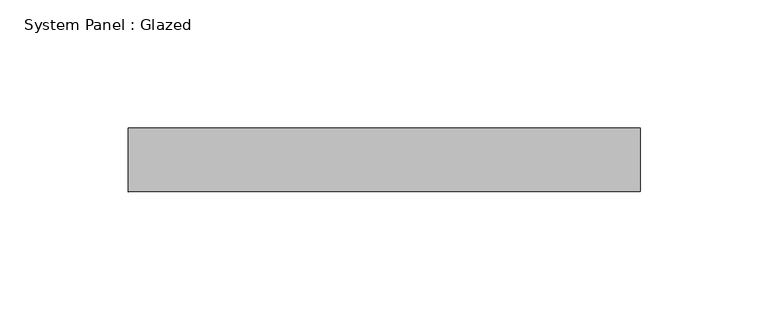
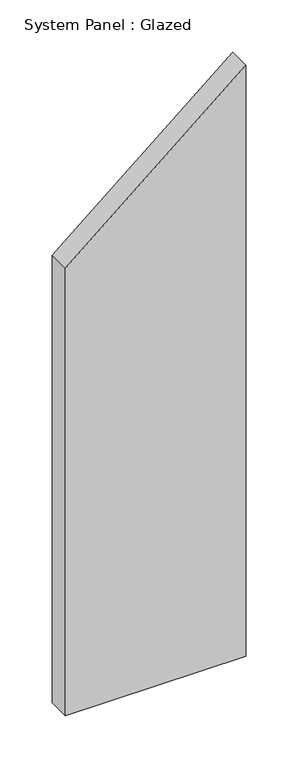
"""IFC4 building model written with IfcOpenShell, lengths in millimetres: plate geometry, System Panel : Glazed."""

from ifc_helpers import new_model, si_unit, frame, origin, place, context, project, spatial, polyline, outline, extrude, source, transform, mapped, element, save


def system_panel_glazed_88069457(model_context):
    return source(origin(), model_context, "Body", "SweptSolid", [
        extrude(outline(polyline([(0.0, -100.0), (0.0, 100.0), (692.0383774, 100.0), (524.2184512, -100.0), (0.0, -100.0)])), frame((0.0, 24.5, 0.0), z_axis=(0.0, 1.0, 0.0), x_axis=(0.0, 0.0, 1.0)), (0.0, 0.0, 1.0), 25.0),
    ])


if __name__ == "__main__":
    model = new_model("IFC4")
    model_context = context("Model", 3, world=origin())
    ifc_project = project(units=[si_unit("LENGTHUNIT", "METRE", prefix="MILLI")], contexts=[model_context])
    site = spatial("IfcSite", under=ifc_project)
    building = spatial("IfcBuilding", under=site)
    placement = place(None, origin())
    system_panel_glazed_shape = system_panel_glazed_88069457(model_context)
    element("IfcPlate", 1, ObjectType="System Panel : Glazed", at=placement, inside=building, context=model_context, shape_type="MappedRepresentation", body=[
        mapped(system_panel_glazed_shape, transform((0.0, 0.0, 0.0), x_axis=(1.0, 0.0, 0.0), y_axis=(0.0, 1.0, 0.0), z_axis=(0.0, 0.0, 1.0))),
    ])
    save(model, "model.ifc")
